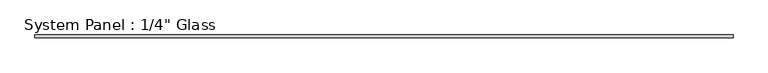
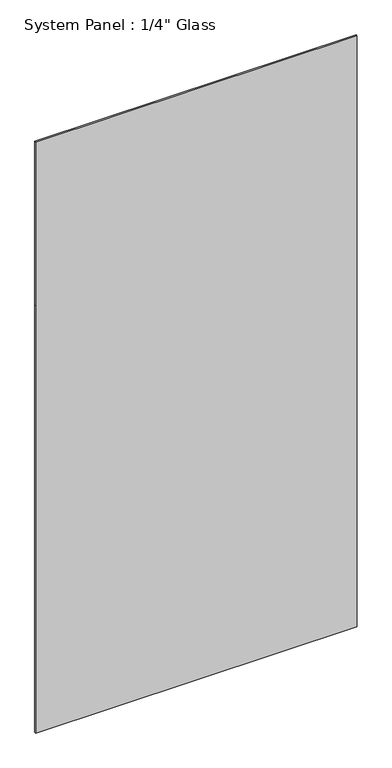
"""IFC4 building model written with IfcOpenShell, lengths in millimetres: plate geometry."""

from ifc_helpers import new_model, si_unit, frame, origin, place, context, project, spatial, polyline, outline, extrude, source, transform, mapped, element, save


def plate_6a2211aa(model_context):
    return source(origin(), model_context, "Body", "SweptSolid", [
        extrude(outline(polyline([(0.0, -762.0), (0.0, 762.0), (2139.95, 762.0), (2959.1, 762.0), (2959.1, -762.0), (2139.95, -762.0), (0.0, -762.0)])), frame((0.0, -3.175, 0.0), z_axis=(0.0, 1.0, 0.0), x_axis=(0.0, 0.0, 1.0)), (0.0, 0.0, 1.0), 6.35),
    ])


if __name__ == "__main__":
    model = new_model("IFC4")
    model_context = context("Model", 3, world=origin())
    ifc_project = project(units=[si_unit("LENGTHUNIT", "METRE", prefix="MILLI")], contexts=[model_context])
    site = spatial("IfcSite", under=ifc_project)
    building = spatial("IfcBuilding", under=site)
    placement = place(None, origin())
    plate_shape = plate_6a2211aa(model_context)
    element("IfcPlate", 1, ObjectType="System Panel : 1/4\" Glass", at=placement, inside=building, context=model_context, shape_type="MappedRepresentation", body=[
        mapped(plate_shape, transform((0.0, 0.0, 0.0), x_axis=(1.0, 0.0, 0.0), y_axis=(0.0, 1.0, 0.0), z_axis=(0.0, 0.0, 1.0))),
    ])
    save(model, "model.ifc")
